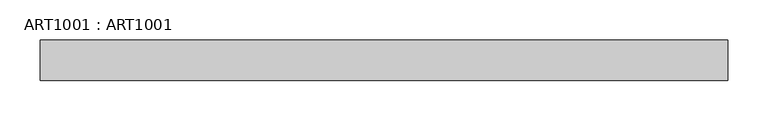
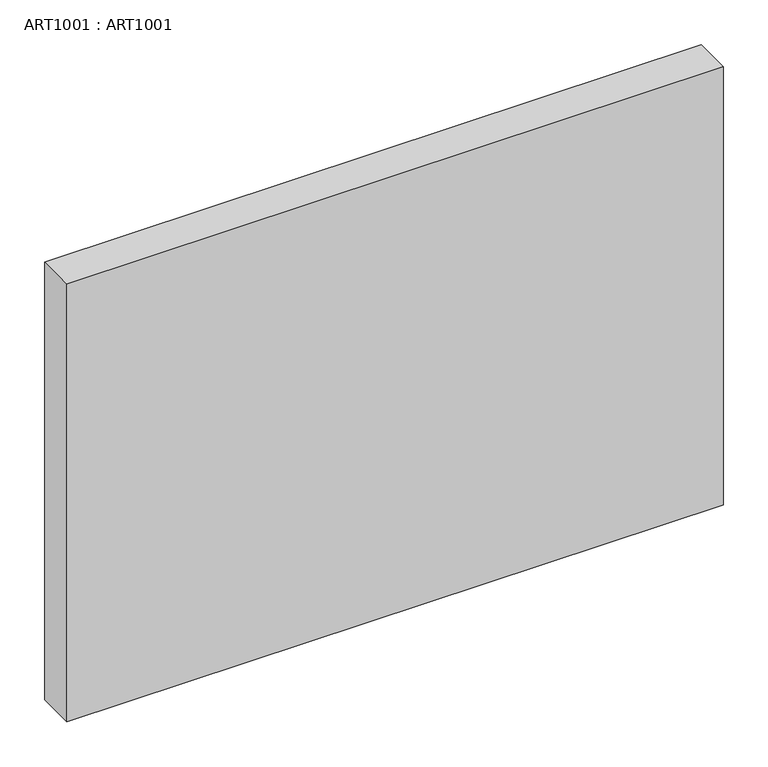
"""IFC4 building model written with IfcOpenShell, lengths in millimetres: proxy geometry, ART1001 : ART1001."""

import ifcopenshell
import ifcopenshell.guid

model = None  # the IFC model being written
_history = None  # IfcOwnerHistory: only IFC2X3 demands one
_inside = {}  # id of a spatial element -> (the spatial element, [elements in it])
_under = {}  # id of a project, library or spatial element -> (it, [spatial elements below it])
_declared = {}  # id of a project -> (the project, [libraries it declares])
_typed = {}  # id of a type object -> (the type object, [elements of that type])
_made_of = {}  # id of a material, layer set ... -> (it, [elements and type objects made of it])


def new_model(schema):
    """Start an empty IFC model of exactly this schema.

    Asked for "IFC4X3", IfcOpenShell would pick the latest addendum, in which some entities
    have other attributes; the version numbers below select the first issue.
    IFC2X3 requires an IfcOwnerHistory on every rooted entity: one is made here for all.
    """
    global model, _history
    if schema == "IFC4X3":
        model = ifcopenshell.file(schema_version=(4, 3, 0, 0))
    else:
        model = ifcopenshell.file(schema=schema)
    _inside.clear()
    _under.clear()
    _declared.clear()
    _typed.clear()
    _made_of.clear()
    _history = None
    if model.schema == "IFC2X3":
        org = make("IfcOrganization", Name="unknown")
        user = make(
            "IfcPersonAndOrganization",
            ThePerson=make("IfcPerson", FamilyName="unknown"),
            TheOrganization=org,
        )
        app = make(
            "IfcApplication",
            ApplicationDeveloper=org,
            Version="unknown",
            ApplicationFullName="unknown",
            ApplicationIdentifier="unknown",
        )
        _history = make(
            "IfcOwnerHistory",
            OwningUser=user,
            OwningApplication=app,
            ChangeAction="ADDED",
            CreationDate=0,
        )
    return model


def make(cls, **values):
    """One entity of the class cls with the attributes given. An attribute that is None is left unset."""
    return model.create_entity(
        cls, **{name: value for name, value in values.items() if value is not None}
    )


def rooted(cls, **values):
    """An entity with a GlobalId (a new one), such as an element, a storey or a relation."""
    return make(cls, GlobalId=ifcopenshell.guid.new(), OwnerHistory=_history, **values)


def si_unit(unit_type, name, prefix=None):
    """IfcSIUnit, for example si_unit("LENGTHUNIT", "METRE", prefix="MILLI")."""
    return make("IfcSIUnit", UnitType=unit_type, Prefix=prefix, Name=name)


def assignment(units):
    """IfcUnitAssignment: the units of a project."""
    return None if units is None else make("IfcUnitAssignment", Units=units)


def point(xyz):
    """IfcCartesianPoint."""
    return None if xyz is None else make("IfcCartesianPoint", Coordinates=xyz)


def direction(xyz):
    """IfcDirection."""
    return None if xyz is None else make("IfcDirection", DirectionRatios=xyz)


def frame(location, z_axis=None, x_axis=None):
    """IfcAxis2Placement3D, a coordinate frame: its origin and axes. An axis left out is left unset."""
    return make(
        "IfcAxis2Placement3D",
        Location=point(location),
        Axis=direction(z_axis),
        RefDirection=direction(x_axis),
    )


def origin():
    """The frame at (0, 0, 0) with its axes left unset."""
    return frame((0.0, 0.0, 0.0))


def origin_with_axes():
    """The frame at (0, 0, 0) with the z axis (0, 0, 1) and the x axis (1, 0, 0) written out."""
    return frame((0.0, 0.0, 0.0), z_axis=(0.0, 0.0, 1.0), x_axis=(1.0, 0.0, 0.0))


def place(relative_to, where):
    """IfcLocalPlacement: puts the frame where relative to a parent placement (None: the world)."""
    return make(
        "IfcLocalPlacement", PlacementRelTo=relative_to, RelativePlacement=where
    )


def context(
    kind, dimensions, precision=None, world=None, true_north=None, identifier=None
):
    """IfcGeometricRepresentationContext, for example the 3D "Model" context."""
    return make(
        "IfcGeometricRepresentationContext",
        ContextIdentifier=identifier,
        ContextType=kind,
        CoordinateSpaceDimension=dimensions,
        Precision=precision,
        WorldCoordinateSystem=world,
        TrueNorth=true_north,
    )


def project(units=None, contexts=None):
    """IfcProject with its units and contexts."""
    return rooted(
        "IfcProject",
        Name="project",
        RepresentationContexts=contexts,
        UnitsInContext=assignment(units),
    )


def spatial(cls, under=None, at=None, **own):
    """A site, building, storey or space (cls), placed at a placement, below another one or the project."""
    s = rooted(cls, ObjectPlacement=at, **own)
    if under is not None:
        _under.setdefault(under.id(), (under, []))[1].append(s)
    return s


def polyline(points):
    """IfcPolyline through the points."""
    return make("IfcPolyline", Points=[point(p) for p in points])


def outline(outer, holes=None, kind="AREA"):
    """IfcArbitraryClosedProfileDef: a profile drawn as a closed curve; with holes, ...WithVoids."""
    if holes is None:
        return make("IfcArbitraryClosedProfileDef", ProfileType=kind, OuterCurve=outer)
    return make(
        "IfcArbitraryProfileDefWithVoids",
        ProfileType=kind,
        OuterCurve=outer,
        InnerCurves=holes,
    )


def extrude(swept, where, along, depth):
    """IfcExtrudedAreaSolid: the profile swept, set in the frame where, extruded along a direction by depth."""
    return make(
        "IfcExtrudedAreaSolid",
        SweptArea=swept,
        Position=where,
        ExtrudedDirection=direction(along),
        Depth=depth,
    )


def shape(context_of_items, identifier, shape_type, items):
    """IfcShapeRepresentation: the items that make up one representation, for example the "Body"."""
    return make(
        "IfcShapeRepresentation",
        ContextOfItems=context_of_items,
        RepresentationIdentifier=identifier,
        RepresentationType=shape_type,
        Items=items,
    )


def source(mapping_origin, context_of_items, identifier, shape_type, items):
    """IfcRepresentationMap: a shape defined once, which mapped items show again and again."""
    return make(
        "IfcRepresentationMap",
        MappingOrigin=mapping_origin,
        MappedRepresentation=shape(context_of_items, identifier, shape_type, items),
    )


def transform(
    local_origin,
    x_axis=None,
    y_axis=None,
    z_axis=None,
    scale=None,
    scale2=None,
    scale3=None,
    uniform=True,
):
    """IfcCartesianTransformationOperator3D, or its non-uniform kind. x_axis, y_axis, z_axis: its Axis1, 2, 3."""
    if uniform:
        return make(
            "IfcCartesianTransformationOperator3D",
            Axis1=direction(x_axis),
            Axis2=direction(y_axis),
            LocalOrigin=point(local_origin),
            Scale=scale,
            Axis3=direction(z_axis),
        )
    return make(
        "IfcCartesianTransformationOperator3DnonUniform",
        Axis1=direction(x_axis),
        Axis2=direction(y_axis),
        LocalOrigin=point(local_origin),
        Scale=scale,
        Axis3=direction(z_axis),
        Scale2=scale2,
        Scale3=scale3,
    )


def mapped(mapping_source, mapping_target):
    """IfcMappedItem: shows the shape of a source again, moved by a transform."""
    return make(
        "IfcMappedItem", MappingSource=mapping_source, MappingTarget=mapping_target
    )


def made_of(thing, what):
    """Note that an element or type object is made of a material, layer set ...; save() writes the relation."""
    if what is not None:
        _made_of.setdefault(what.id(), (what, []))[1].append(thing)
    return thing


def element(
    cls,
    number,
    at=None,
    inside=None,
    cuts=None,
    type_object=None,
    material=None,
    context=None,
    identifier="Body",
    shape_type=None,
    held_by="IfcProductDefinitionShape",
    body=None,
    shapes=None,
    **own,
):
    """One element of the class cls, such as IfcWall. Its Tag is "e" and its number.

    at: its placement. inside: the storey or other place that contains it. cuts: it is an
    opening in that element (IfcRelVoidsElement). A single representation is given by context,
    identifier, shape_type and body (its items); several are given by shapes. held_by: the class
    of the entity that holds the representations. save() writes the other relations.
    """
    e = rooted(cls, Tag="e%d" % number, ObjectPlacement=at, **own)
    if body is not None:
        shapes = [shape(context, identifier, shape_type, body)]
    if shapes is not None:
        e.Representation = make(held_by, Representations=shapes)
    if inside is not None:
        _inside.setdefault(inside.id(), (inside, []))[1].append(e)
    if cuts is not None:
        rooted(
            "IfcRelVoidsElement", RelatingBuildingElement=cuts, RelatedOpeningElement=e
        )
    if type_object is not None:
        _typed.setdefault(type_object.id(), (type_object, []))[1].append(e)
    return made_of(e, material)


def aggregate(whole, parts):
    """IfcRelAggregates: a whole, such as a stair, and the parts it consists of."""
    return rooted("IfcRelAggregates", RelatingObject=whole, RelatedObjects=parts)


def save(model, path):
    """Write the relations noted so far, then the file.

    IfcRelAggregates (storeys below a building ...), IfcRelContainedInSpatialStructure (elements
    in a storey), IfcRelDefinesByType, IfcRelAssociatesMaterial and IfcRelDeclares: one each for
    every whole, place, type object, material and project.
    """
    for whole, parts in _under.values():
        aggregate(whole, parts)
    for where, things in _inside.values():
        rooted(
            "IfcRelContainedInSpatialStructure",
            RelatedElements=things,
            RelatingStructure=where,
        )
    for kind, things in _typed.values():
        rooted("IfcRelDefinesByType", RelatedObjects=things, RelatingType=kind)
    for what, things in _made_of.values():
        rooted("IfcRelAssociatesMaterial", RelatedObjects=things, RelatingMaterial=what)
    for by, libraries in _declared.values():
        rooted("IfcRelDeclares", RelatingContext=by, RelatedDefinitions=libraries)
    model.write(path)


def art1001_art1001_e5997ec5(model_context):
    return source(origin(), model_context, "Body", "SweptSolid", [
        extrude(outline(polyline([(850.0, -50.0), (0.0, -50.0), (0.0, 0.0), (850.0, 0.0), (850.0, -50.0)])), origin_with_axes(), (0.0, 0.0, 1.0), 600.0),
    ])


if __name__ == "__main__":
    model = new_model("IFC4")
    model_context = context("Model", 3, world=origin())
    ifc_project = project(units=[si_unit("LENGTHUNIT", "METRE", prefix="MILLI")], contexts=[model_context])
    site = spatial("IfcSite", under=ifc_project)
    building = spatial("IfcBuilding", under=site)
    placement = place(None, origin())
    art1001_art1001_shape = art1001_art1001_e5997ec5(model_context)
    element("IfcBuildingElementProxy", 1, Name="ART1001 : ART1001", ObjectType="ART1001 : ART1001", at=placement, inside=building, context=model_context, shape_type="MappedRepresentation", body=[
        mapped(art1001_art1001_shape, transform((0.0, 0.0, 0.0), x_axis=(1.0, 0.0, 0.0), y_axis=(0.0, 1.0, 0.0), z_axis=(0.0, 0.0, 1.0))),
    ])
    save(model, "model.ifc")
